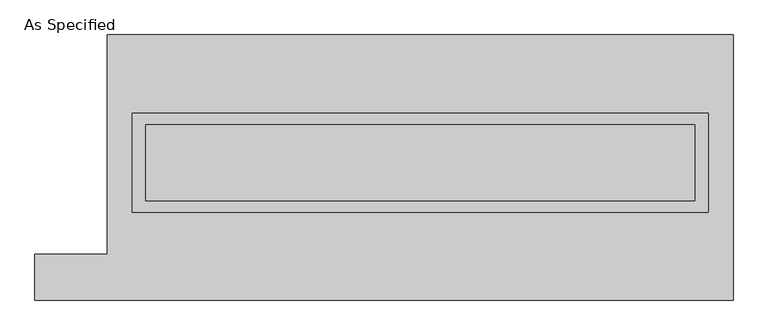
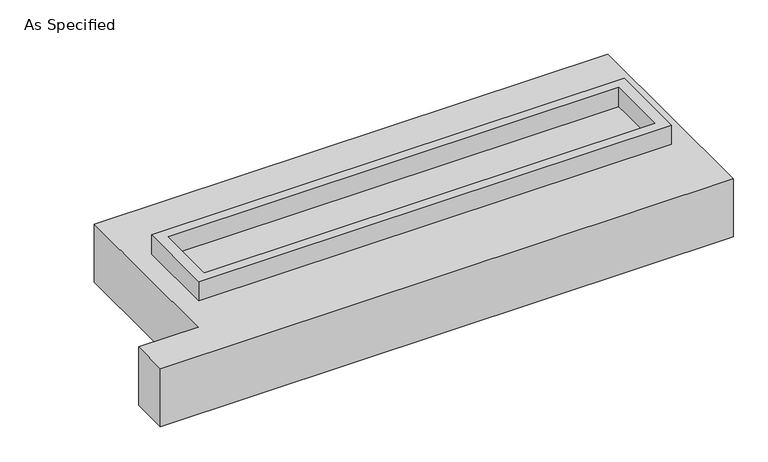
"""IFC4 building model written with IfcOpenShell, lengths in millimetres: proxy geometry, As Specified."""

from ifc_helpers import new_model, si_unit, frame, origin, place, context, project, spatial, polyline, outline, extrude, faceted_brep, source, transform, mapped, element, save


def as_specified_196aad1d(model_context):
    return source(origin(), model_context, "Body", "SolidModel", [
        extrude(outline(polyline([(1917.7, 361.95), (1917.7, -298.45), (-1917.7, -298.45), (-1917.7, 361.95), (1917.7, 361.95)]), holes=[polyline([(1828.8, 285.75), (-1828.8, 285.75), (-1828.8, -222.25), (1828.8, -222.25), (1828.8, 285.75)])]), frame((0.0, 0.0, -25.4), z_axis=(0.0, 0.0, 1.0), x_axis=(1.0, 0.0, 0.0)), (0.0, 0.0, 1.0), 165.1),
        extrude(outline(polyline([(1828.8, 285.75), (1828.8, -222.25), (-1828.8, -222.25), (-1828.8, 285.75), (1828.8, 285.75)])), frame((0.0, 0.0, -30.3609375), z_axis=(0.0, 0.0, 1.0), x_axis=(1.0, 0.0, 0.0)), (0.0, 0.0, 1.0), 4.9609375),
        faceted_brep([(-2082.8, 882.65, -523.875), (2082.8, 882.65, -523.875), (2082.8, -882.65, -523.875), (-2565.4, -882.65, -523.875), (-2565.4, -577.85, -523.875), (-2082.8, -577.85, -523.875), (2082.8, 882.65, -25.4), (-2082.8, 882.65, -25.4), (-2082.8, -577.85, -25.4), (-2565.4, -577.85, -25.4), (-2565.4, -882.65, -25.4), (2082.8, -882.65, -25.4), (-1917.7, -298.45, -25.4), (-1917.7, 361.95, -25.4), (1917.7, 361.95, -25.4), (1917.7, -298.45, -25.4), (1917.7, 361.95, -498.475), (-1917.7, 361.95, -498.475), (-1917.7, -298.45, -498.475), (1917.7, -298.45, -498.475)], [[[0, 1, 2, 3, 4, 5]], [[6, 7, 8, 9, 10, 11], [12, 13, 14, 15]], [[1, 0, 7, 6]], [[7, 0, 5, 8]], [[1, 6, 11, 2]], [[16, 17, 18, 19]], [[18, 17, 13, 12]], [[17, 16, 14, 13]], [[16, 19, 15, 14]], [[12, 15, 19, 18]], [[3, 2, 11, 10]], [[5, 4, 9, 8]], [[4, 3, 10, 9]]]),
    ])


if __name__ == "__main__":
    model = new_model("IFC4")
    model_context = context("Model", 3, world=origin())
    ifc_project = project(units=[si_unit("LENGTHUNIT", "METRE", prefix="MILLI")], contexts=[model_context])
    site = spatial("IfcSite", under=ifc_project)
    building = spatial("IfcBuilding", under=site)
    placement = place(None, origin())
    as_specified_shape = as_specified_196aad1d(model_context)
    element("IfcBuildingElementProxy", 1, Name="As Specified", ObjectType="As Specified", at=placement, inside=building, context=model_context, shape_type="MappedRepresentation", body=[
        mapped(as_specified_shape, transform((0.0, 0.0, 0.0), x_axis=(1.0, 0.0, 0.0), y_axis=(0.0, 1.0, 0.0), z_axis=(0.0, 0.0, 1.0))),
    ])
    save(model, "model.ifc")
